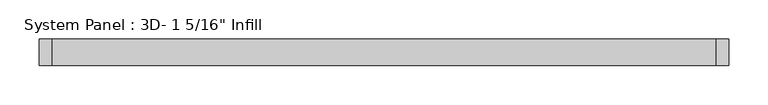
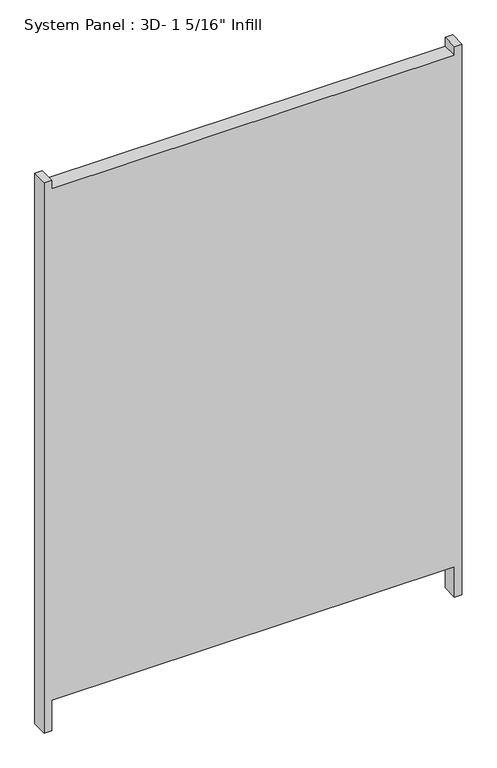
"""IFC4 building model written with IfcOpenShell, lengths in millimetres: plate geometry."""

from ifc_helpers import new_model, si_unit, frame, origin, place, context, project, spatial, polyline, outline, extrude, source, transform, mapped, element, save


def plate_e0469c4a(model_context):
    return source(origin(), model_context, "Body", "SweptSolid", [
        extrude(outline(polyline([(0.0, -438.1038418), (0.0, -422.3211582), (66.6798917, -422.3211582), (66.6798917, 422.2288418), (0.0, 422.2288418), (0.0, 438.1038418), (1219.2, 438.1038418), (1219.2, 422.2288418), (1200.15, 422.2288418), (1200.15, -422.3211582), (1219.2, -422.3211582), (1219.2, -438.1038418), (0.0, -438.1038418)])), frame((0.0, -16.66875, 0.0), z_axis=(0.0, 1.0, 0.0), x_axis=(0.0, 0.0, 1.0)), (0.0, 0.0, 1.0), 33.3375),
    ])


if __name__ == "__main__":
    model = new_model("IFC4")
    model_context = context("Model", 3, world=origin())
    ifc_project = project(units=[si_unit("LENGTHUNIT", "METRE", prefix="MILLI")], contexts=[model_context])
    site = spatial("IfcSite", under=ifc_project)
    building = spatial("IfcBuilding", under=site)
    placement = place(None, origin())
    plate_shape = plate_e0469c4a(model_context)
    element("IfcPlate", 1, ObjectType="System Panel : 3D- 1 5/16\" Infill", at=placement, inside=building, context=model_context, shape_type="MappedRepresentation", body=[
        mapped(plate_shape, transform((0.0, 0.0, 0.0), x_axis=(1.0, 0.0, 0.0), y_axis=(0.0, 1.0, 0.0), z_axis=(0.0, 0.0, 1.0))),
    ])
    save(model, "model.ifc")
